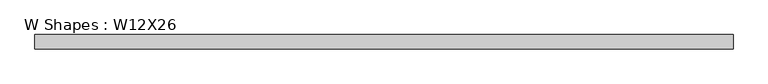
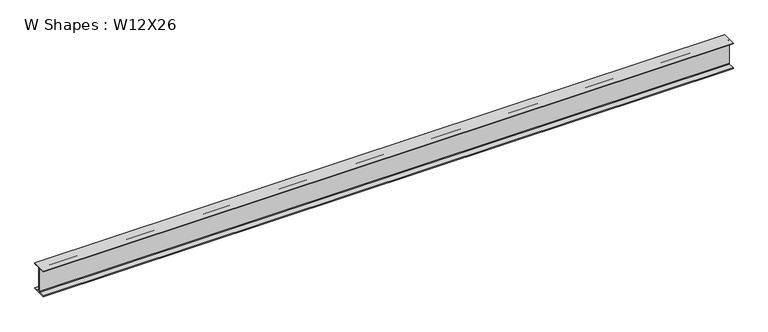
"""IFC4 building model written with IfcOpenShell, lengths in millimetres: beam geometry, W Shapes : W12X26."""

from ifc_helpers import new_model, si_unit, point, frame, frame_2d, origin, place, context, project, spatial, polyline, circle_curve, trimmed, segment, composite_curve, outline, extrude, source, transform, mapped, element, save


def w_shapes_w12x26_8c631c25(model_context):
    return source(origin(), model_context, "Body", "SweptSolid", [
        extrude(outline(composite_curve([segment(polyline([(82.423, -145.288), (82.423, -154.94), (-82.423, -154.94), (-82.423, -145.288), (-10.541, -145.288)]), True, "CONTINUOUS"), segment(trimmed(circle_curve(frame_2d((-10.541, -137.668)), 7.62), [point((-10.541, -145.288))], [point((-2.921, -137.668))], True, "CARTESIAN"), True, "CONTINUOUS"), segment(polyline([(-2.921, -137.668), (-2.921, 137.668)]), True, "CONTINUOUS"), segment(trimmed(circle_curve(frame_2d((-10.541, 137.668)), 7.62), [point((-2.921, 137.668))], [point((-10.541, 145.288))], True, "CARTESIAN"), True, "CONTINUOUS"), segment(polyline([(-10.541, 145.288), (-82.423, 145.288), (-82.423, 154.94), (82.423, 154.94), (82.423, 145.288), (10.541, 145.288)]), True, "CONTINUOUS"), segment(trimmed(circle_curve(frame_2d((10.541, 137.668)), 7.62), [point((10.541, 145.288))], [point((2.921, 137.668))], True, "CARTESIAN"), True, "CONTINUOUS"), segment(polyline([(2.921, 137.668), (2.921, -137.668)]), True, "CONTINUOUS"), segment(trimmed(circle_curve(frame_2d((10.541, -137.668)), 7.62), [point((2.921, -137.668))], [point((10.541, -145.288))], True, "CARTESIAN"), True, "CONTINUOUS"), segment(polyline([(10.541, -145.288), (82.423, -145.288)]), True, "CONTINUOUS")], self_intersect=False)), frame((-3962.4, 0.0, 0.0), z_axis=(1.0, 0.0, 0.0), x_axis=(0.0, 1.0, 0.0)), (0.0, 0.0, 1.0), 7924.8),
    ])


if __name__ == "__main__":
    model = new_model("IFC4")
    model_context = context("Model", 3, world=origin())
    ifc_project = project(units=[si_unit("LENGTHUNIT", "METRE", prefix="MILLI")], contexts=[model_context])
    site = spatial("IfcSite", under=ifc_project)
    building = spatial("IfcBuilding", under=site)
    placement = place(None, origin())
    w_shapes_w12x26_shape = w_shapes_w12x26_8c631c25(model_context)
    element("IfcBeam", 1, ObjectType="W Shapes : W12X26", at=placement, inside=building, context=model_context, shape_type="MappedRepresentation", body=[
        mapped(w_shapes_w12x26_shape, transform((0.0, 0.0, 0.0), x_axis=(1.0, 0.0, 0.0), y_axis=(0.0, 1.0, 0.0), z_axis=(0.0, 0.0, 1.0))),
    ])
    save(model, "model.ifc")
